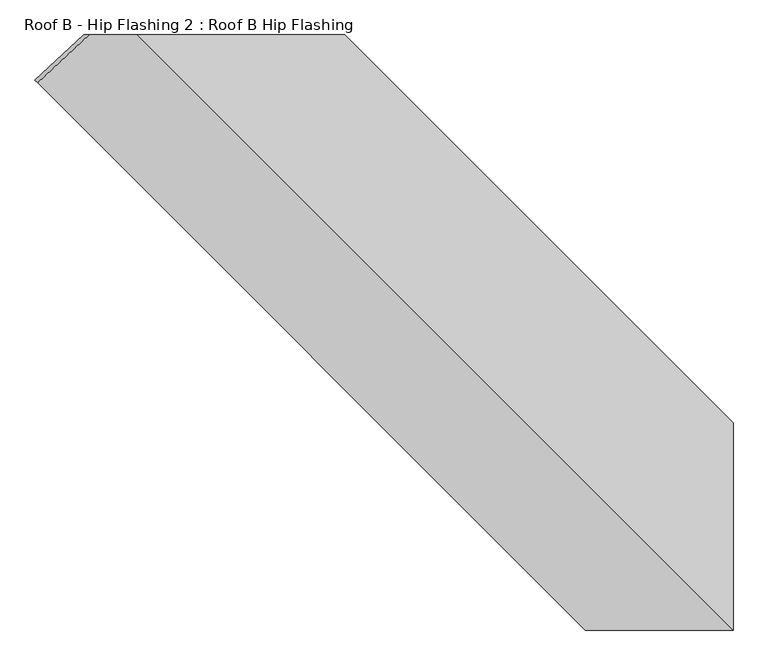
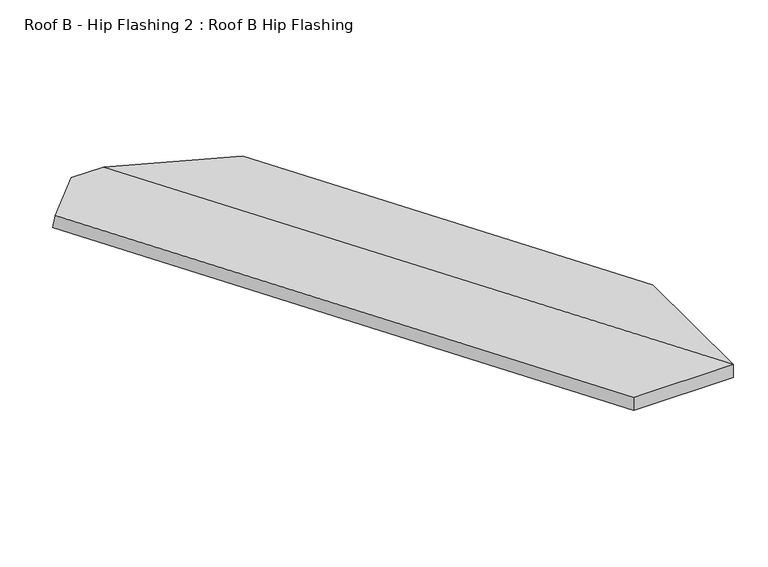
"""IFC4 building model written with IfcOpenShell, lengths in millimetres: proxy geometry, Roof B - Hip Flashing 2 : Roof B Hip Flashing."""

from ifc_helpers import new_model, si_unit, origin, place, context, project, spatial, faceted_brep, source, transform, mapped, element, save


def roof_b_hip_flashing_2_roof_b_hip_flashing_b6ade9ec(model_context):
    return source(origin(), model_context, "Body", "Brep", [
        faceted_brep([(2997.0405716, -3403.4547231, 3588.3395553), (3002.9737333, -3409.3878847, 3632.6252769), (3120.7391864, -3299.5112211, 3662.0666402), (3108.4468813, -3299.5112211, 3616.1911327), (3705.2141237, -3299.5112211, 3489.2228774), (3705.2141237, -3299.5112211, 3535.1026447), (4592.3647416, -4186.661839, 3297.391353), (4592.3647416, -4186.661839, 3251.5115857), (3231.3780417, -3299.5112211, 3662.0666402), (4592.364416, -4660.4975954, 3297.3914403), (4254.083444, -4660.4975954, 3297.3914403), (4254.083444, -4660.4975954, 3251.5159328), (4592.3485181, -4660.4975954, 3251.5159328), (3231.3621437, -3299.5112211, 3616.1911327)], [[[0, 1, 2, 3]], [[4, 5, 6, 7]], [[8, 9, 6, 5]], [[1, 10, 9, 8, 2]], [[1, 0, 11, 10]], [[12, 13, 4, 7]], [[11, 0, 3, 13, 12]], [[9, 10, 11, 12]], [[3, 2, 8, 5, 4, 13]], [[7, 6, 9, 12]]]),
    ])


if __name__ == "__main__":
    model = new_model("IFC4")
    model_context = context("Model", 3, world=origin())
    ifc_project = project(units=[si_unit("LENGTHUNIT", "METRE", prefix="MILLI")], contexts=[model_context])
    site = spatial("IfcSite", under=ifc_project)
    building = spatial("IfcBuilding", under=site)
    placement = place(None, origin())
    roof_b_hip_flashing_2_roof_b_hip_flashing_shape = roof_b_hip_flashing_2_roof_b_hip_flashing_b6ade9ec(model_context)
    element("IfcBuildingElementProxy", 1, Name="Roof B - Hip Flashing 2 : Roof B Hip Flashing", ObjectType="Roof B - Hip Flashing 2 : Roof B Hip Flashing", at=placement, inside=building, context=model_context, shape_type="MappedRepresentation", body=[
        mapped(roof_b_hip_flashing_2_roof_b_hip_flashing_shape, transform((0.0, 0.0, 0.0), x_axis=(1.0, 0.0, 0.0), y_axis=(0.0, 1.0, 0.0), z_axis=(0.0, 0.0, 1.0))),
    ])
    save(model, "model.ifc")
